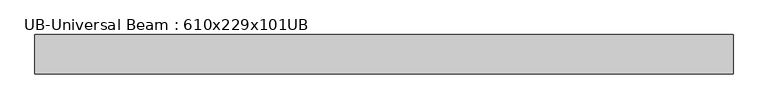
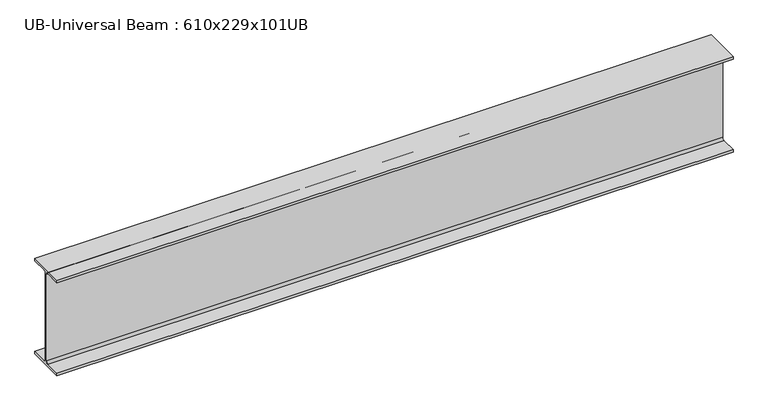
"""IFC4 building model written with IfcOpenShell, lengths in millimetres: beam geometry, UB-Universal Beam : 610x229x101UB."""

from ifc_helpers import new_model, si_unit, point, frame, frame_2d, origin, place, context, project, spatial, polyline, circle_curve, trimmed, segment, composite_curve, outline, extrude, source, transform, mapped, element, save


def ub_universal_beam_610x229x101ub_72b052ae(model_context):
    return source(origin(), model_context, "Body", "SweptSolid", [
        extrude(outline(composite_curve([segment(polyline([(113.8, -286.5), (113.8, -301.3), (-113.8, -301.3), (-113.8, -286.5), (-17.95, -286.5)]), True, "CONTINUOUS"), segment(trimmed(circle_curve(frame_2d((-17.95, -273.8)), 12.7), [point((-17.95, -286.5))], [point((-5.25, -273.8))], True, "CARTESIAN"), True, "CONTINUOUS"), segment(polyline([(-5.25, -273.8), (-5.25, 273.8)]), True, "CONTINUOUS"), segment(trimmed(circle_curve(frame_2d((-17.95, 273.8)), 12.7), [point((-5.25, 273.8))], [point((-17.95, 286.5))], True, "CARTESIAN"), True, "CONTINUOUS"), segment(polyline([(-17.95, 286.5), (-113.8, 286.5), (-113.8, 301.3), (113.8, 301.3), (113.8, 286.5), (17.95, 286.5)]), True, "CONTINUOUS"), segment(trimmed(circle_curve(frame_2d((17.95, 273.8)), 12.7), [point((17.95, 286.5))], [point((5.25, 273.8))], True, "CARTESIAN"), True, "CONTINUOUS"), segment(polyline([(5.25, 273.8), (5.25, -273.8)]), True, "CONTINUOUS"), segment(trimmed(circle_curve(frame_2d((17.95, -273.8)), 12.7), [point((5.25, -273.8))], [point((17.95, -286.5))], True, "CARTESIAN"), True, "CONTINUOUS"), segment(polyline([(17.95, -286.5), (113.8, -286.5)]), True, "CONTINUOUS")], self_intersect=False)), frame((-2018.8, 0.0, 0.0), z_axis=(1.0, 0.0, 0.0), x_axis=(0.0, 1.0, 0.0)), (0.0, 0.0, 1.0), 4037.6),
    ])


if __name__ == "__main__":
    model = new_model("IFC4")
    model_context = context("Model", 3, world=origin())
    ifc_project = project(units=[si_unit("LENGTHUNIT", "METRE", prefix="MILLI")], contexts=[model_context])
    site = spatial("IfcSite", under=ifc_project)
    building = spatial("IfcBuilding", under=site)
    placement = place(None, origin())
    ub_universal_beam_610x229x101ub_shape = ub_universal_beam_610x229x101ub_72b052ae(model_context)
    element("IfcBeam", 1, ObjectType="UB-Universal Beam : 610x229x101UB", at=placement, inside=building, context=model_context, shape_type="MappedRepresentation", body=[
        mapped(ub_universal_beam_610x229x101ub_shape, transform((0.0, 0.0, 0.0), x_axis=(1.0, 0.0, 0.0), y_axis=(0.0, 1.0, 0.0), z_axis=(0.0, 0.0, 1.0))),
    ])
    save(model, "model.ifc")
